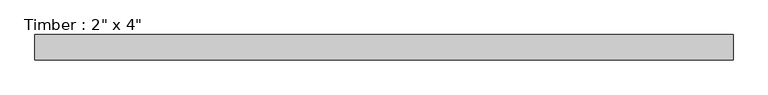
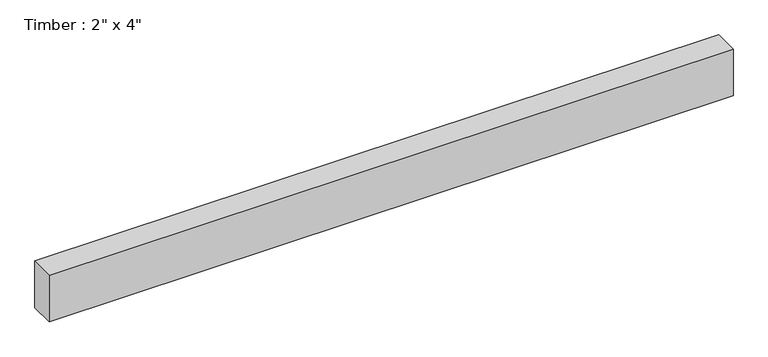
"""IFC4 building model written with IfcOpenShell, lengths in millimetres: beam geometry."""

from ifc_helpers import new_model, si_unit, frame, origin, place, context, project, spatial, polyline, outline, extrude, source, transform, mapped, element, save


def beam_6b384b7e(model_context):
    return source(origin(), model_context, "Body", "SweptSolid", [
        extrude(outline(polyline([(697.9530374, 25.4), (697.9530374, -25.4), (-710.8197444, -25.4), (-710.8197444, 25.4), (697.9530374, 25.4)])), frame((0.0, 0.0, -50.8), z_axis=(0.0, 0.0, 1.0), x_axis=(1.0, 0.0, 0.0)), (0.0, 0.0, 1.0), 101.6),
    ])


if __name__ == "__main__":
    model = new_model("IFC4")
    model_context = context("Model", 3, world=origin())
    ifc_project = project(units=[si_unit("LENGTHUNIT", "METRE", prefix="MILLI")], contexts=[model_context])
    site = spatial("IfcSite", under=ifc_project)
    building = spatial("IfcBuilding", under=site)
    placement = place(None, origin())
    beam_shape = beam_6b384b7e(model_context)
    element("IfcBeam", 1, ObjectType="Timber : 2\" x 4\"", at=placement, inside=building, context=model_context, shape_type="MappedRepresentation", body=[
        mapped(beam_shape, transform((0.0, 0.0, 0.0), x_axis=(1.0, 0.0, 0.0), y_axis=(0.0, 1.0, 0.0), z_axis=(0.0, 0.0, 1.0))),
    ])
    save(model, "model.ifc")
